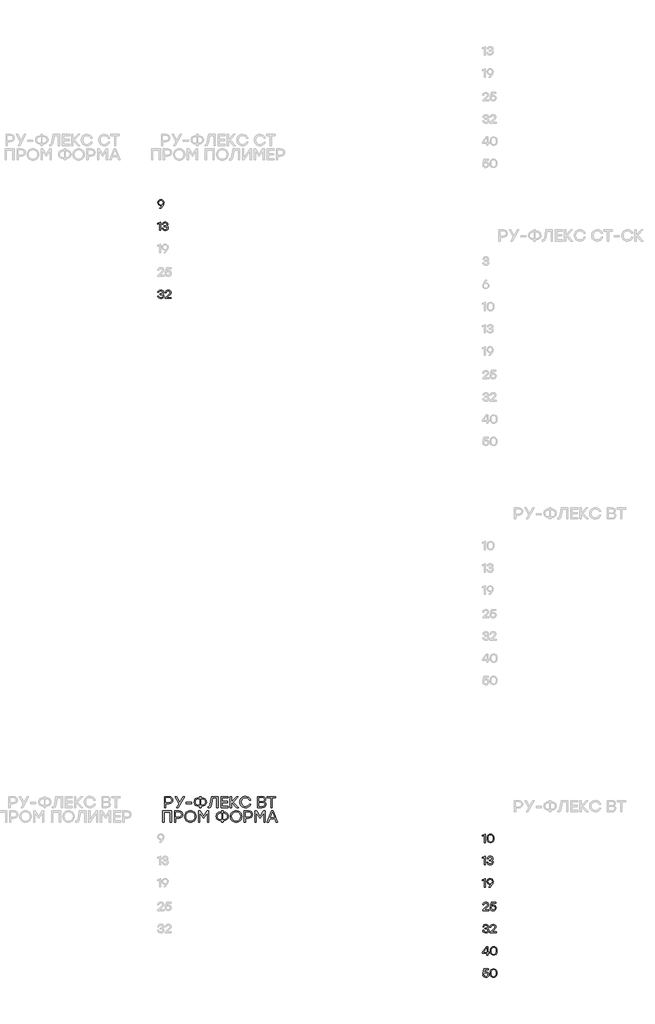
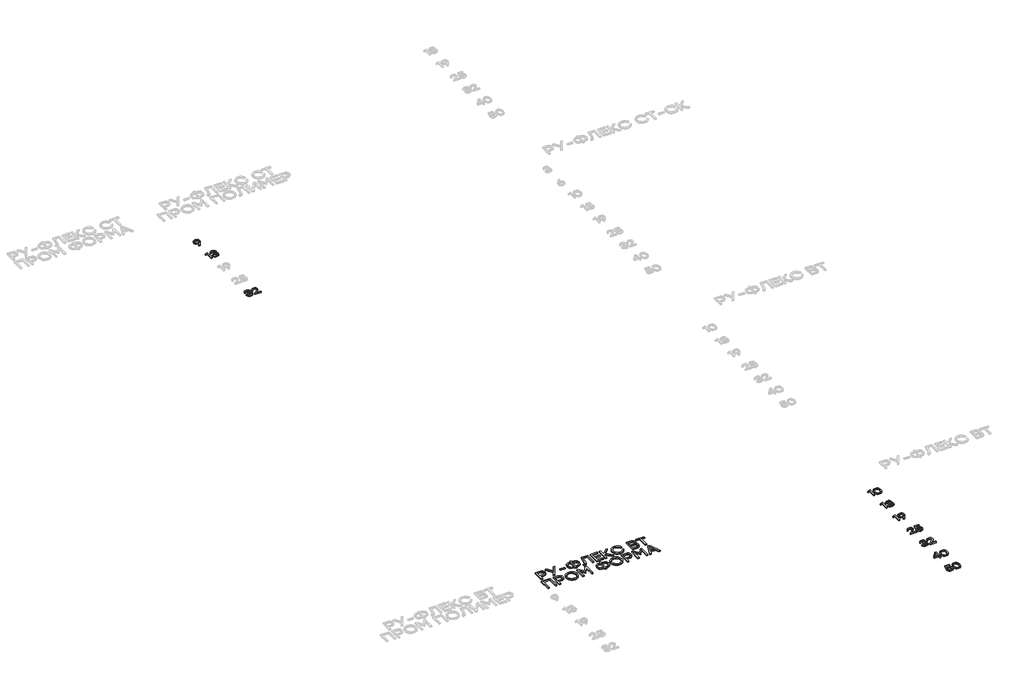
# One storey, part 17 of 41: 11 proxies.
"""IFC4 building model written with IfcOpenShell, lengths in millimetres."""

from ifc_helpers import new_model, si_unit, origin, origin_with_axes, place, context, project, spatial, polyline, outline, extrude, element, save

model = new_model("IFC4")

# Units and contexts
model_context = context("Model", 3, world=origin())
ifc_project = project(units=[si_unit("LENGTHUNIT", "METRE", prefix="MILLI")], contexts=[model_context])

# Site, building, storey
site = spatial("IfcSite", under=ifc_project)
building = spatial("IfcBuilding", under=site)
storey = spatial("IfcBuildingStorey", under=building, Elevation=0.0)

# Proxies
placement = place(None, origin())
element("IfcBuildingElementProxy", 1, Name="Generic Models", at=placement, inside=storey, context=model_context, shape_type="SweptSolid", body=[
    extrude(outline(polyline([(15636.0477337, -32149.8318641), (15657.9179343, -32153.477738), (15675.9254248, -32164.4153597), (15687.9825264, -32181.5655908), (15692.0015602, -32203.849293), (15689.3743122, -32221.6903743), (15681.4925683, -32239.6323096), (15639.7188211, -32299.216882), (15637.3386655, -32302.2021618), (15616.5627313, -32302.2021618), (15659.2038234, -32245.1994532), (15645.2254522, -32251.1599275), (15631.1260561, -32253.1467523), (15611.4645592, -32249.7983978), (15594.9194524, -32239.7533345), (15583.6792686, -32223.9192488), (15579.9325406, -32203.203827), (15583.9515745, -32181.6563594), (15596.0086761, -32164.6170678), (15614.0565082, -32153.528165), (15636.0477337, -32149.8318641)]), holes=[polyline([(15635.8460256, -32239.1885518), (15651.2313108, -32236.727713), (15663.5002059, -32229.3451966), (15671.5332309, -32217.8377496), (15674.2109059, -32203.0021189), (15671.4777612, -32188.1614456), (15663.278327, -32176.6388704), (15651.0094319, -32169.2412259), (15636.0679045, -32166.7753444), (15621.1263771, -32169.291653), (15608.857482, -32176.8405785), (15600.6580478, -32188.4640077), (15597.924903, -32203.203827), (15600.6277916, -32218.0142442), (15608.7364571, -32229.4460507), (15620.9196263, -32236.7529265), (15635.8460256, -32239.1885518)])]), origin_with_axes(), (0.0, 0.0, 1.0), 20.0),
])
element("IfcBuildingElementProxy", 2, Name="Generic Models", at=placement, inside=storey, context=model_context, shape_type="SweptSolid", body=[
    extrude(outline(polyline([(15621.9281668, -32552.2120197), (15630.077174, -32552.2120197), (15630.077174, -32702.2021618), (15612.2865197, -32702.2021618), (15612.2865197, -32572.9879539), (15577.7944348, -32586.9058127), (15577.7944348, -32569.3572081), (15621.9281668, -32552.2120197)])), origin_with_axes(), (0.0, 0.0, 1.0), 20.0),
    extrude(outline(polyline([(15743.1143924, -32623.1325872), (15754.32432, -32628.5988767), (15762.7002488, -32636.8487379), (15767.9194458, -32647.5090109), (15769.6591782, -32660.2065357), (15765.9628773, -32678.4560759), (15754.8739746, -32692.5403439), (15737.7842559, -32701.5415678), (15716.0855072, -32704.5419758), (15694.6994061, -32701.6525073), (15676.7725988, -32692.9841017), (15663.8279816, -32678.7989797), (15657.3884505, -32659.3593617), (15675.3808129, -32659.3593617), (15680.2419781, -32671.7316322), (15688.6128642, -32680.5689683), (15700.4934712, -32685.8713699), (15715.8837991, -32687.6388371), (15730.7950703, -32685.7074821), (15742.1260227, -32679.9134169), (15749.2816175, -32670.8012536), (15751.6668158, -32658.9156039), (15749.6598202, -32648.134306), (15743.6388335, -32639.7533345), (15733.2710372, -32634.3677283), (15718.2236131, -32632.5725262), (15697.4476789, -32632.5725262), (15697.4476789, -32616.9199777), (15713.1002273, -32616.9199777), (15727.8198758, -32615.4727221), (15738.3339105, -32611.1309553), (15744.6423313, -32603.8946773), (15746.7451382, -32593.763888), (15744.4658367, -32582.6245583), (15737.6279321, -32574.0570068), (15727.038257, -32568.59576), (15713.5036435, -32566.7753444), (15700.6649231, -32568.3032833), (15690.3878954, -32572.8870998), (15682.7229877, -32581.0008081), (15677.7206268, -32593.1184221), (15659.7282645, -32593.1184221), (15666.3997598, -32573.9158111), (15678.2652387, -32560.4417101), (15694.4170147, -32552.4843256), (15713.9474014, -32549.8318641), (15733.9618874, -32552.7515889), (15750.2750299, -32561.5107631), (15761.1218829, -32574.8789673), (15764.7375006, -32591.6257822), (15759.1703571, -32610.9090764), (15752.3727941, -32618.1403117), (15743.1143924, -32623.1325872)])), origin_with_axes(), (0.0, 0.0, 1.0), 20.0),
])
element("IfcBuildingElementProxy", 3, Name="Generic Models", at=placement, inside=storey, context=model_context, shape_type="SweptSolid", body=[
    extrude(outline(polyline([(15665.6584826, -33847.1325872), (15676.8684101, -33852.5988767), (15685.2443389, -33860.8487379), (15690.463536, -33871.5090109), (15692.2032683, -33884.2065357), (15688.5069674, -33902.4560759), (15677.4180647, -33916.5403439), (15660.328346, -33925.5415678), (15638.6295973, -33928.5419758), (15617.2434962, -33925.6525073), (15599.3166889, -33916.9841017), (15586.3720717, -33902.7989797), (15579.9325406, -33883.3593617), (15597.924903, -33883.3593617), (15602.7860682, -33895.7316322), (15611.1569543, -33904.5689683), (15623.0375613, -33909.8713699), (15638.4278892, -33911.6388371), (15653.3391604, -33909.7074821), (15664.6701129, -33903.9134169), (15671.8257077, -33894.8012536), (15674.2109059, -33882.9156039), (15672.2039104, -33872.134306), (15666.1829236, -33863.7533345), (15655.8151273, -33858.3677283), (15640.7677032, -33856.5725262), (15619.991769, -33856.5725262), (15619.991769, -33840.9199777), (15635.6443175, -33840.9199777), (15650.363966, -33839.4727221), (15660.8780006, -33835.1309553), (15667.1864214, -33827.8946773), (15669.2892283, -33817.763888), (15667.0099268, -33806.6245583), (15660.1720223, -33798.0570068), (15649.5823471, -33792.59576), (15636.0477337, -33790.7753444), (15623.2090132, -33792.3032833), (15612.9319856, -33796.8870998), (15605.2670778, -33805.0008081), (15600.264717, -33817.1184221), (15582.2723546, -33817.1184221), (15588.9438499, -33797.9158111), (15600.8093288, -33784.4417101), (15616.9611048, -33776.4843256), (15636.4914915, -33773.8318641), (15656.5059776, -33776.7515889), (15672.8191201, -33785.5107631), (15683.6659731, -33798.8789673), (15687.2815907, -33815.6257822), (15681.7144472, -33834.9090764), (15674.9168843, -33842.1403117), (15665.6584826, -33847.1325872)])), origin_with_axes(), (0.0, 0.0, 1.0), 20.0),
    extrude(outline(polyline([(15824.1203648, -33909.0569735), (15824.1203648, -33926.2021618), (15711.6075874, -33926.2021618), (15711.6075874, -33913.3331851), (15755.0958535, -33875.4120626), (15793.7834668, -33839.4273378), (15800.1372719, -33829.4629577), (15802.2552069, -33818.8531118), (15799.9506919, -33807.577629), (15793.0371468, -33798.6016187), (15782.2659344, -33792.731913), (15768.3884172, -33790.7753444), (15754.4554303, -33792.8378097), (15743.5178086, -33799.0252057), (15735.6411074, -33808.9643722), (15730.8908816, -33822.2821494), (15712.8985192, -33822.2821494), (15719.0960006, -33802.2827915), (15731.3144687, -33786.9025489), (15748.4142727, -33777.0995353), (15769.255762, -33773.8318641), (15789.7997318, -33776.9936386), (15806.0069776, -33786.4789619), (15816.5361403, -33800.7346818), (15820.0458612, -33818.2076458), (15817.4992965, -33832.8466111), (15809.8596023, -33845.9425094), (15769.6591782, -33884.2065357), (15740.935945, -33909.0569735), (15824.1203648, -33909.0569735)])), origin_with_axes(), (0.0, 0.0, 1.0), 20.0),
])
element("IfcBuildingElementProxy", 4, Name="Generic Models", at=placement, inside=storey, context=model_context, shape_type="SweptSolid", body=[
    extrude(outline(polyline([(15781.8311404, -42885.1160762), (15810.8502122, -42889.5805488), (15832.71537, -42902.9739666), (15846.4315208, -42923.4271678), (15851.003571, -42949.0709907), (15846.3911791, -42975.1047826), (15832.5540036, -42995.9748472), (15810.6485041, -43009.690998), (15781.8311404, -43014.2630482), (15725.2452951, -43014.2630482), (15725.2452951, -43085.1029324), (15701.5244227, -43085.1029324), (15701.5244227, -42885.1160762), (15781.8311404, -42885.1160762)]), holes=[polyline([(15780.9705191, -42991.6717411), (15800.8387669, -42988.6730141), (15815.2608959, -42979.6768329), (15824.0351982, -42966.1086014), (15826.9599656, -42949.3937237), (15824.0351982, -42932.7460819), (15815.2608959, -42919.3795586), (15800.8387669, -42910.5850855), (15780.9705191, -42907.6535945), (15725.2452951, -42907.6535945), (15725.2452951, -42991.6717411), (15780.9705191, -42991.6717411)])]), origin_with_axes(), (0.0, 0.0, 1.0), 20.0),
    extrude(outline(polyline([(16060.02695, -42885.1160762), (15946.9090483, -43085.1029324), (15920.068424, -43085.1029324), (15961.4858202, -43012.5418057), (15888.6019606, -42885.1160762), (15915.4963737, -42885.1160762), (15974.6102938, -42987.0996909), (16033.4552698, -42885.1160762), (16060.02695, -42885.1160762)])), origin_with_axes(), (0.0, 0.0, 1.0), 20.0),
    extrude(outline(polyline([(16186.5920583, -42987.691368), (16186.5920583, -43010.2288862), (16093.9676994, -43010.2288862), (16093.9676994, -42987.691368), (16186.5920583, -42987.691368)])), origin_with_axes(), (0.0, 0.0, 1.0), 20.0),
    extrude(outline(polyline([(16377.1658698, -42907.6535945), (16408.8138705, -42912.763533), (16434.5854419, -42928.0933485), (16444.5750355, -42939.1956984), (16451.7104595, -42952.0629942), (16457.4187987, -42983.0924233), (16451.7440775, -43014.1218525), (16444.650676, -43026.9891483), (16434.719914, -43038.0914982), (16408.9819606, -43053.4213137), (16377.1658698, -43058.5312522), (16357.4253706, -43058.5312522), (16357.4253706, -43085.1029324), (16333.7044982, -43085.1029324), (16333.7044982, -43058.5312522), (16313.7488436, -43058.5312522), (16281.8924112, -43053.4213137), (16256.1410107, -43038.0914982), (16246.2102486, -43026.9891483), (16239.1168471, -43014.1218525), (16233.442126, -42983.0924233), (16239.1571888, -42952.0629942), (16246.3010172, -42939.1956984), (16256.3023771, -42928.0933485), (16282.0941193, -42912.763533), (16313.7488436, -42907.6535945), (16333.7044982, -42907.6535945), (16333.7044982, -42885.1160762), (16357.4253706, -42885.1160762), (16357.4253706, -42907.6535945), (16377.1658698, -42907.6535945)]), holes=[polyline([(16377.1658698, -43035.9399452), (16399.7706241, -43032.4772895), (16417.8840113, -43022.0893224), (16429.7847892, -43005.4147863), (16433.7517151, -42983.0924233), (16429.7847892, -42960.7700604), (16417.8840113, -42944.0955243), (16399.7706241, -42933.7075572), (16377.1658698, -42930.2449015), (16357.4253706, -42930.2449015), (16357.4253706, -43035.9399452), (16377.1658698, -43035.9399452)]), polyline([(16313.7488436, -43035.9399452), (16333.7044982, -43035.9399452), (16333.7044982, -42930.2449015), (16313.7488436, -42930.2449015), (16291.3457975, -42933.7075572), (16273.2996462, -42944.0955243), (16261.3988684, -42960.7700604), (16257.4319425, -42983.0924233), (16261.3585268, -43005.4147863), (16273.1382798, -43022.0893224), (16291.1440894, -43032.4772895), (16313.7488436, -43035.9399452)])]), origin_with_axes(), (0.0, 0.0, 1.0), 20.0),
    extrude(outline(polyline([(16547.0847721, -42885.1160762), (16667.3565877, -42885.1160762), (16667.3565877, -43085.1029324), (16643.6357153, -43085.1029324), (16643.6357153, -42907.6535945), (16567.0404267, -42907.6535945), (16547.9453933, -43023.9450369), (16540.8452682, -43053.9659256), (16531.0557019, -43073.6728068), (16517.850545, -43084.585215), (16500.5036485, -43088.2226843), (16484.7973112, -43087.3620631), (16484.7973112, -43065.6851661), (16495.9315983, -43066.2230544), (16506.6288511, -43063.9370293), (16514.1929048, -43057.0789539), (16524.4934651, -43022.5465274), (16547.0847721, -42885.1160762)])), origin_with_axes(), (0.0, 0.0, 1.0), 20.0),
    extrude(outline(polyline([(16843.9453044, -42907.6535945), (16740.7783356, -42907.6535945), (16740.7783356, -42971.1244095), (16837.0603347, -42971.1244095), (16837.0603347, -42993.6619277), (16740.7783356, -42993.6619277), (16740.7783356, -43062.5116254), (16843.9453044, -43062.5116254), (16843.9453044, -43085.1029324), (16717.0574632, -43085.1029324), (16717.0574632, -42885.1160762), (16843.9453044, -42885.1160762), (16843.9453044, -42907.6535945)])), origin_with_axes(), (0.0, 0.0, 1.0), 20.0),
    extrude(outline(polyline([(17030.5925317, -43085.1029324), (17000.0404783, -43085.1029324), (16906.01761, -42987.9603121), (16906.01761, -43085.1029324), (16882.2967376, -43085.1029324), (16882.2967376, -42885.1160762), (16906.01761, -42885.1160762), (16906.01761, -42978.8162117), (16996.9207264, -42885.1160762), (17027.2038356, -42885.1160762), (16932.5892902, -42983.1193178), (17030.5925317, -43085.1029324)])), origin_with_axes(), (0.0, 0.0, 1.0), 20.0),
    extrude(outline(polyline([(17159.631926, -43088.2226843), (17138.4340857, -43086.3837788), (17119.108769, -43080.8670623), (17101.6559757, -43071.6725349), (17086.075706, -43058.8001964), (17073.262199, -43043.1594142), (17064.1096941, -43025.6595558), (17058.6181911, -43006.300621), (17056.7876901, -42985.0826099), (17058.6181911, -42963.8645988), (17064.1096941, -42944.5056641), (17073.262199, -42927.0058056), (17086.075706, -42911.3650235), (17101.6559757, -42898.492685), (17119.108769, -42889.2981575), (17138.4340857, -42883.781441), (17159.631926, -42881.9425355), (17191.1118366, -42886.4809677), (17218.6382684, -42900.0962644), (17240.3824015, -42921.3495744), (17254.5154156, -42948.8020466), (17229.0733007, -42948.8020466), (17217.6095571, -42930.5945289), (17201.5065272, -42916.5287508), (17181.7593044, -42907.5325696), (17159.3629818, -42904.5338425), (17128.4613011, -42910.2825234), (17103.2074472, -42927.5285658), (17086.3849918, -42953.421162), (17080.7775066, -42985.1095043), (17086.3849918, -43016.7978466), (17103.2074472, -43042.6904429), (17128.4613011, -43059.9364853), (17159.3629818, -43065.6851661), (17181.7593044, -43062.6864391), (17201.5065272, -43053.6902579), (17217.6095571, -43039.6110326), (17229.0733007, -43021.3631733), (17254.5154156, -43021.3631733), (17240.3824015, -43048.8492635), (17218.6382684, -43070.0958499), (17191.1118366, -43083.6909757), (17159.631926, -43088.2226843)])), origin_with_axes(), (0.0, 0.0, 1.0), 20.0),
    extrude(outline(polyline([(17492.9074937, -42978.8162117), (17508.0389629, -42985.6440308), (17518.8471552, -42996.3917106), (17525.3320706, -43011.0592512), (17527.493709, -43029.6466525), (17523.3116278, -43052.8498075), (17510.765384, -43070.3916884), (17490.2180524, -43081.4251214), (17462.0327074, -43085.1029324), (17378.0145607, -43085.1029324), (17378.0145607, -42885.1160762), (17460.6341979, -42885.1160762), (17486.9302104, -42888.4375363), (17505.8974953, -42898.4019163), (17517.3746861, -42914.4309866), (17521.2004163, -42935.9465171), (17519.4321087, -42950.3047719), (17514.1271857, -42962.235806), (17505.2856474, -42971.7396192), (17492.9074937, -42978.8162117)]), holes=[polyline([(17461.7637633, -43062.5116254), (17480.1427329, -43060.3533487), (17493.2705683, -43053.8785188), (17501.1472695, -43043.0871355), (17503.7728366, -43027.9791989), (17501.2716562, -43012.656107), (17493.7681149, -43001.5419908), (17480.6167469, -42994.7847695), (17461.1720862, -42992.5323624), (17401.7354331, -42992.5323624), (17401.7354331, -43062.5116254), (17461.7637633, -43062.5116254)]), polyline([(17497.2105998, -42939.389002), (17494.9245747, -42925.6056152), (17488.0664993, -42915.6681296), (17475.9236718, -42909.6572282), (17457.7833901, -42907.6535945), (17401.7354331, -42907.6535945), (17401.7354331, -42970.8016765), (17457.191713, -42970.8016765), (17475.7757525, -42968.8047664), (17488.0664993, -42962.8140358), (17494.9245747, -42952.963957), (17497.2105998, -42939.389002)])]), origin_with_axes(), (0.0, 0.0, 1.0), 20.0),
    extrude(outline(polyline([(17704.8354693, -42885.1160762), (17704.8354693, -42907.6535945), (17640.2350889, -42907.6535945), (17640.2350889, -43085.1029324), (17616.2452724, -43085.1029324), (17616.2452724, -42907.6535945), (17551.967625, -42907.6535945), (17551.967625, -42885.1160762), (17704.8354693, -42885.1160762)])), origin_with_axes(), (0.0, 0.0, 1.0), 20.0),
    extrude(outline(polyline([(15830.563817, -43143.6383193), (15830.563817, -43343.6251754), (15806.8429446, -43343.6251754), (15806.8429446, -43166.1758375), (15690.8204463, -43166.1758375), (15690.8204463, -43343.6251754), (15667.0995739, -43343.6251754), (15667.0995739, -43143.6383193), (15690.8204463, -43143.6383193), (15830.563817, -43143.6383193)])), origin_with_axes(), (0.0, 0.0, 1.0), 20.0),
    extrude(outline(polyline([(15960.8403543, -43143.6383193), (15989.8594261, -43148.1027918), (16011.724584, -43161.4962096), (16025.4407347, -43181.9494108), (16030.0127849, -43207.5932337), (16025.400393, -43233.6270257), (16011.5632175, -43254.4970903), (15989.657718, -43268.213241), (15960.8403543, -43272.7852912), (15904.254509, -43272.7852912), (15904.254509, -43343.6251754), (15880.5336366, -43343.6251754), (15880.5336366, -43143.6383193), (15960.8403543, -43143.6383193)]), holes=[polyline([(15959.9797331, -43250.1939842), (15979.8479808, -43247.1952571), (15994.2701098, -43238.1990759), (16003.0444121, -43224.6308445), (16005.9691795, -43207.9159667), (16003.0444121, -43191.2683249), (15994.2701098, -43177.9018016), (15979.8479808, -43169.1073285), (15959.9797331, -43166.1758375), (15904.254509, -43166.1758375), (15904.254509, -43250.1939842), (15959.9797331, -43250.1939842)])]), origin_with_axes(), (0.0, 0.0, 1.0), 20.0),
    extrude(outline(polyline([(16094.6131653, -43170.048633), (16110.4069094, -43157.1056966), (16127.9353432, -43147.8607421), (16147.1984666, -43142.3137694), (16168.1962797, -43140.4647785), (16189.1756028, -43142.3137694), (16208.3832565, -43147.8607421), (16225.8192407, -43157.1056966), (16241.4835555, -43170.048633), (16254.4147255, -43185.741523), (16263.6512755, -43203.2363388), (16269.1932055, -43222.5330802), (16271.0405155, -43243.6317473), (16269.1831201, -43264.7287336), (16263.6109339, -43284.0204323), (16254.3239569, -43301.5068435), (16241.322189, -43317.1879673), (16225.5889573, -43330.1191373), (16208.1075888, -43339.3556873), (16188.8780834, -43344.8976174), (16167.9004411, -43346.7449274), (16146.9227989, -43344.8976174), (16127.6932935, -43339.3556873), (16110.2119249, -43330.1191373), (16094.4786932, -43317.1879673), (16081.4769254, -43301.5068435), (16072.1899483, -43284.0204323), (16066.6177621, -43264.7287336), (16064.7603667, -43243.6317473), (16066.6261666, -43222.5330802), (16072.2235663, -43203.2363388), (16081.5525659, -43185.741523), (16094.6131653, -43170.048633)]), holes=[polyline([(16167.9273355, -43163.0560856), (16137.1197853, -43168.8383844), (16111.6104344, -43186.1852809), (16094.465246, -43212.1047715), (16088.7501832, -43243.6048529), (16094.465246, -43275.1116579), (16111.6104344, -43301.0513194), (16137.1197853, -43318.4183867), (16167.9273355, -43324.2074091), (16198.8962523, -43318.4587283), (16224.3518143, -43301.2126859), (16241.3759778, -43275.3200896), (16247.050699, -43243.6317473), (16241.3759778, -43211.9434051), (16224.3518143, -43186.0508088), (16198.8962523, -43168.8047664), (16167.9273355, -43163.0560856)])]), origin_with_axes(), (0.0, 0.0, 1.0), 20.0),
    extrude(outline(polyline([(16468.8758187, -43143.6383193), (16498.0293625, -43143.6383193), (16498.0293625, -43343.6251754), (16474.3084901, -43343.6251754), (16474.3084901, -43174.1903726), (16406.5883578, -43276.4967202), (16404.3292271, -43276.4967202), (16336.6090948, -43174.1903726), (16336.6090948, -43343.6251754), (16312.8882224, -43343.6251754), (16312.8882224, -43143.6383193), (16342.0417663, -43143.6383193), (16405.4587925, -43239.0596971), (16468.8758187, -43143.6383193)])), origin_with_axes(), (0.0, 0.0, 1.0), 20.0),
    extrude(outline(polyline([(16773.0516314, -43166.1758375), (16804.699632, -43171.285776), (16830.4712034, -43186.6155915), (16840.460797, -43197.7179414), (16847.596221, -43210.5852372), (16853.3045602, -43241.6146664), (16847.629839, -43272.6440955), (16840.5364376, -43285.5113913), (16830.6056755, -43296.6137412), (16804.8677221, -43311.9435567), (16773.0516314, -43317.0534952), (16753.3111321, -43317.0534952), (16753.3111321, -43343.6251754), (16729.5902597, -43343.6251754), (16729.5902597, -43317.0534952), (16709.6346052, -43317.0534952), (16677.7781728, -43311.9435567), (16652.0267722, -43296.6137412), (16642.0960101, -43285.5113913), (16635.0026087, -43272.6440955), (16629.3278875, -43241.6146664), (16635.0429503, -43210.5852372), (16642.1867788, -43197.7179414), (16652.1881387, -43186.6155915), (16677.9798809, -43171.285776), (16709.6346052, -43166.1758375), (16729.5902597, -43166.1758375), (16729.5902597, -43143.6383193), (16753.3111321, -43143.6383193), (16753.3111321, -43166.1758375), (16773.0516314, -43166.1758375)]), holes=[polyline([(16709.6346052, -43294.4621882), (16729.5902597, -43294.4621882), (16729.5902597, -43188.7671445), (16709.6346052, -43188.7671445), (16687.231559, -43192.2298002), (16669.1854078, -43202.6177673), (16657.28463, -43219.2923034), (16653.317704, -43241.6146664), (16657.2442884, -43263.9370293), (16669.0240413, -43280.6115654), (16687.0298509, -43290.9995325), (16709.6346052, -43294.4621882)]), polyline([(16773.0516314, -43294.4621882), (16795.6563856, -43290.9995325), (16813.7697729, -43280.6115654), (16825.6705507, -43263.9370293), (16829.6374766, -43241.6146664), (16825.6705507, -43219.2923034), (16813.7697729, -43202.6177673), (16795.6563856, -43192.2298002), (16773.0516314, -43188.7671445), (16753.3111321, -43188.7671445), (16753.3111321, -43294.4621882), (16773.0516314, -43294.4621882)])]), origin_with_axes(), (0.0, 0.0, 1.0), 20.0),
    extrude(outline(polyline([(16917.3670523, -43170.048633), (16933.1607965, -43157.1056966), (16950.6892302, -43147.8607421), (16969.9523536, -43142.3137694), (16990.9501667, -43140.4647785), (17011.9294899, -43142.3137694), (17031.1371436, -43147.8607421), (17048.5731278, -43157.1056966), (17064.2374425, -43170.048633), (17077.1686126, -43185.741523), (17086.4051626, -43203.2363388), (17091.9470926, -43222.5330802), (17093.7944026, -43243.6317473), (17091.9370072, -43264.7287336), (17086.364821, -43284.0204323), (17077.0778439, -43301.5068435), (17064.0760761, -43317.1879673), (17048.3428444, -43330.1191373), (17030.8614758, -43339.3556873), (17011.6319704, -43344.8976174), (16990.6543282, -43346.7449274), (16969.6766859, -43344.8976174), (16950.4471805, -43339.3556873), (16932.965812, -43330.1191373), (16917.2325803, -43317.1879673), (16904.2308124, -43301.5068435), (16894.9438354, -43284.0204323), (16889.3716491, -43264.7287336), (16887.5142537, -43243.6317473), (16889.3800536, -43222.5330802), (16894.9774534, -43203.2363388), (16904.3064529, -43185.741523), (16917.3670523, -43170.048633)]), holes=[polyline([(16990.6812226, -43163.0560856), (16959.8736723, -43168.8383844), (16934.3643214, -43186.1852809), (16917.2191331, -43212.1047715), (16911.5040703, -43243.6048529), (16917.2191331, -43275.1116579), (16934.3643214, -43301.0513194), (16959.8736723, -43318.4183867), (16990.6812226, -43324.2074091), (17021.6501393, -43318.4587283), (17047.1057014, -43301.2126859), (17064.1298649, -43275.3200896), (17069.8045861, -43243.6317473), (17064.1298649, -43211.9434051), (17047.1057014, -43186.0508088), (17021.6501393, -43168.8047664), (16990.6812226, -43163.0560856)])]), origin_with_axes(), (0.0, 0.0, 1.0), 20.0),
    extrude(outline(polyline([(17217.3473366, -43143.6383193), (17246.3664084, -43148.1027918), (17268.2315663, -43161.4962096), (17281.947717, -43181.9494108), (17286.5197672, -43207.5932337), (17281.9073754, -43233.6270257), (17268.0701998, -43254.4970903), (17246.1647003, -43268.213241), (17217.3473366, -43272.7852912), (17160.7614913, -43272.7852912), (17160.7614913, -43343.6251754), (17137.0406189, -43343.6251754), (17137.0406189, -43143.6383193), (17217.3473366, -43143.6383193)]), holes=[polyline([(17216.4867154, -43250.1939842), (17236.3549631, -43247.1952571), (17250.7770921, -43238.1990759), (17259.5513944, -43224.6308445), (17262.4761619, -43207.9159667), (17259.5513944, -43191.2683249), (17250.7770921, -43177.9018016), (17236.3549631, -43169.1073285), (17216.4867154, -43166.1758375), (17160.7614913, -43166.1758375), (17160.7614913, -43250.1939842), (17216.4867154, -43250.1939842)])]), origin_with_axes(), (0.0, 0.0, 1.0), 20.0),
    extrude(outline(polyline([(17484.4088592, -43143.6383193), (17513.562403, -43143.6383193), (17513.562403, -43343.6251754), (17489.8415306, -43343.6251754), (17489.8415306, -43174.1903726), (17422.1213983, -43276.4967202), (17419.8622676, -43276.4967202), (17352.1421353, -43174.1903726), (17352.1421353, -43343.6251754), (17328.4212629, -43343.6251754), (17328.4212629, -43143.6383193), (17357.5748067, -43143.6383193), (17420.991833, -43239.0596971), (17484.4088592, -43143.6383193)])), origin_with_axes(), (0.0, 0.0, 1.0), 20.0),
    extrude(outline(polyline([(17713.925781, -43343.6251754), (17690.2049086, -43283.5968453), (17597.3653944, -43283.5968453), (17573.644522, -43343.6251754), (17548.5251401, -43343.6251754), (17628.5091248, -43143.6383193), (17659.0611781, -43143.6383193), (17739.0989517, -43343.6251754), (17713.925781, -43343.6251754)]), holes=[polyline([(17606.5094948, -43261.0593271), (17681.3835411, -43261.0593271), (17643.946518, -43166.1758375), (17606.5094948, -43261.0593271)])]), origin_with_axes(), (0.0, 0.0, 1.0), 20.0),
])
element("IfcBuildingElementProxy", 5, Name="Generic Models", at=placement, inside=storey, context=model_context, shape_type="SweptSolid", body=[
    extrude(outline(polyline([(21471.7561063, -43562.6551887), (21479.9051135, -43562.6551887), (21479.9051135, -43712.6453308), (21462.1144592, -43712.6453308), (21462.1144592, -43583.4311228), (21427.6223744, -43597.3489816), (21427.6223744, -43579.800377), (21471.7561063, -43562.6551887)])), origin_with_axes(), (0.0, 0.0, 1.0), 20.0),
    extrude(outline(polyline([(21570.6334163, -43560.2750331), (21596.1394053, -43565.3379064), (21615.2109061, -43580.5265262), (21627.1015985, -43604.9281634), (21631.0651626, -43637.6300889), (21627.1015985, -43670.3320144), (21615.2109061, -43694.7336516), (21596.1394053, -43709.9222715), (21570.6334163, -43714.9851447), (21545.2787083, -43709.9525277), (21526.1769513, -43694.8546765), (21514.1954903, -43670.4883382), (21510.2016699, -43637.6502597), (21514.1954903, -43604.8071386), (21526.1769513, -43580.4256721), (21545.2787083, -43565.3126929), (21570.6334163, -43560.2750331)]), holes=[polyline([(21539.4493442, -43683.3976565), (21552.8730182, -43694.4109187), (21570.6334163, -43698.0820061), (21588.3938144, -43694.4109187), (21601.8174883, -43683.3976565), (21610.2589722, -43664.6186325), (21613.0728002, -43637.6502597), (21610.2589722, -43610.6818869), (21601.8174883, -43591.902863), (21588.3938144, -43580.8896008), (21570.6334163, -43577.2185134), (21552.8730182, -43580.8896008), (21539.4493442, -43591.902863), (21531.0078603, -43610.6818869), (21528.1940323, -43637.6502597), (21531.0078603, -43664.6186325), (21539.4493442, -43683.3976565)])]), origin_with_axes(), (0.0, 0.0, 1.0), 20.0),
])
element("IfcBuildingElementProxy", 6, Name="Generic Models", at=placement, inside=storey, context=model_context, shape_type="SweptSolid", body=[
    extrude(outline(polyline([(21471.7561063, -43962.6551887), (21479.9051135, -43962.6551887), (21479.9051135, -44112.6453308), (21462.1144592, -44112.6453308), (21462.1144592, -43983.4311228), (21427.6223744, -43997.3489816), (21427.6223744, -43979.800377), (21471.7561063, -43962.6551887)])), origin_with_axes(), (0.0, 0.0, 1.0), 20.0),
    extrude(outline(polyline([(21592.942332, -44033.5757561), (21604.1522596, -44039.0420456), (21612.5281884, -44047.2919068), (21617.7473854, -44057.9521799), (21619.4871178, -44070.6497047), (21615.7908169, -44088.8992449), (21604.7019141, -44102.9835129), (21587.6121955, -44111.9847368), (21565.9134468, -44114.9851447), (21544.5273456, -44112.0956762), (21526.6005383, -44103.4272707), (21513.6559211, -44089.2421486), (21507.2163901, -44069.8025306), (21525.2087525, -44069.8025306), (21530.0699176, -44082.1748011), (21538.4408037, -44091.0121372), (21550.3214107, -44096.3145389), (21565.7117387, -44098.0820061), (21580.6230099, -44096.150651), (21591.9539623, -44090.3565859), (21599.1095571, -44081.2444225), (21601.4947554, -44069.3587728), (21599.4877598, -44058.577475), (21593.466773, -44050.1965035), (21583.0989768, -44044.8108972), (21568.0515526, -44043.0156951), (21547.2756185, -44043.0156951), (21547.2756185, -44027.3631467), (21562.9281669, -44027.3631467), (21577.6478154, -44025.9158911), (21588.16185, -44021.5741243), (21594.4702708, -44014.3378462), (21596.5730778, -44004.207057), (21594.2937762, -43993.0677272), (21587.4558717, -43984.5001757), (21576.8661965, -43979.038929), (21563.3315831, -43977.2185134), (21550.4928626, -43978.7464522), (21540.215835, -43983.3302688), (21532.5509273, -43991.443977), (21527.5485664, -44003.5615911), (21509.556204, -44003.5615911), (21516.2276994, -43984.3589801), (21528.0931783, -43970.8848791), (21544.2449543, -43962.9274946), (21563.7753409, -43960.2750331), (21583.789827, -43963.1947578), (21600.1029695, -43971.953932), (21610.9498225, -43985.3221362), (21614.5654402, -44002.0689511), (21608.9982966, -44021.3522454), (21602.2007337, -44028.5834807), (21592.942332, -44033.5757561)])), origin_with_axes(), (0.0, 0.0, 1.0), 20.0),
])
element("IfcBuildingElementProxy", 7, Name="Generic Models", at=placement, inside=storey, context=model_context, shape_type="SweptSolid", body=[
    extrude(outline(polyline([(21471.7561063, -44362.6551887), (21479.9051135, -44362.6551887), (21479.9051135, -44512.6453308), (21462.1144592, -44512.6453308), (21462.1144592, -44383.4311228), (21427.6223744, -44397.3489816), (21427.6223744, -44379.800377), (21471.7561063, -44362.6551887)])), origin_with_axes(), (0.0, 0.0, 1.0), 20.0),
    extrude(outline(polyline([(21563.3315831, -44360.2750331), (21585.2017837, -44363.920907), (21603.2092742, -44374.8585286), (21615.2663758, -44392.0087597), (21619.2854097, -44414.2924619), (21616.6581617, -44432.1335432), (21608.7764177, -44450.0754786), (21567.0026705, -44509.6600509), (21564.6225149, -44512.6453308), (21543.8465808, -44512.6453308), (21586.4876728, -44455.6426221), (21572.5093016, -44461.6030964), (21558.4099055, -44463.5899212), (21538.7484086, -44460.2415668), (21522.2033018, -44450.1965035), (21510.963118, -44434.3624177), (21507.2163901, -44413.646996), (21511.2354239, -44392.0995284), (21523.2925255, -44375.0602367), (21541.3403577, -44363.971334), (21563.3315831, -44360.2750331)]), holes=[polyline([(21563.129875, -44449.6317208), (21578.5151602, -44447.170882), (21590.7840553, -44439.7883656), (21598.8170804, -44428.2809185), (21601.4947554, -44413.4452879), (21598.7616106, -44398.6046145), (21590.5621764, -44387.0820394), (21578.2932813, -44379.6843949), (21563.3517539, -44377.2185134), (21548.4102265, -44379.7348219), (21536.1413314, -44387.2837475), (21527.9418972, -44398.9071767), (21525.2087525, -44413.646996), (21527.911641, -44428.4574131), (21536.0203066, -44439.8892196), (21548.2034757, -44447.1960955), (21563.129875, -44449.6317208)])]), origin_with_axes(), (0.0, 0.0, 1.0), 20.0),
])
element("IfcBuildingElementProxy", 8, Name="Generic Models", at=placement, inside=storey, context=model_context, shape_type="SweptSolid", body=[
    extrude(outline(polyline([(21542.2732576, -44919.5001424), (21542.2732576, -44936.6453308), (21429.7604802, -44936.6453308), (21429.7604802, -44923.7763541), (21473.2487463, -44885.8552316), (21511.9363596, -44849.8705068), (21518.2901647, -44839.9061267), (21520.4080997, -44829.2962807), (21518.1035847, -44818.020798), (21511.1900396, -44809.0447876), (21500.4188271, -44803.1750819), (21486.54131, -44801.2185134), (21472.608323, -44803.2809787), (21461.6707014, -44809.4683746), (21453.7940002, -44819.4075412), (21449.0437744, -44832.7253184), (21431.051412, -44832.7253184), (21437.2488934, -44812.7259604), (21449.4673614, -44797.3457179), (21466.5671655, -44787.5427043), (21487.4086548, -44784.2750331), (21507.9526246, -44787.4368075), (21524.1598704, -44796.9221309), (21534.6890331, -44811.1778508), (21538.198754, -44828.6508148), (21535.6521893, -44843.28978), (21528.012495, -44856.3856784), (21487.812071, -44894.6497047), (21459.0888377, -44919.5001424), (21542.2732576, -44919.5001424)])), origin_with_axes(), (0.0, 0.0, 1.0), 20.0),
    extrude(outline(polyline([(21623.3599133, -44837.646996), (21643.2483318, -44841.0205639), (21659.667371, -44851.1412678), (21670.6806332, -44866.8392006), (21674.3517206, -44886.9444553), (21670.4436262, -44907.6447489), (21658.7193429, -44924.320966), (21641.1556103, -44935.3191), (21619.7291675, -44938.9851447), (21598.771696, -44935.9343097), (21580.9205293, -44926.7818048), (21567.9002715, -44912.0520709), (21561.435527, -44892.2695491), (21579.4278894, -44892.2695491), (21584.5764886, -44904.9721166), (21593.5676271, -44914.3565859), (21605.5642163, -44920.150651), (21619.7291675, -44922.0820061), (21634.2168517, -44919.5606548), (21645.9713911, -44911.9966011), (21653.7623664, -44900.6908622), (21656.3593582, -44886.9444553), (21653.7875799, -44873.001383), (21646.0722452, -44862.0738467), (21634.3933462, -44855.0090206), (21619.9308756, -44852.6540785), (21598.9330625, -44857.5253291), (21584.349567, -44872.1390809), (21567.2043786, -44872.1390809), (21585.4387907, -44786.6551887), (21667.2919371, -44786.6551887), (21667.2919371, -44803.5583273), (21598.9128917, -44803.5583273), (21589.0695365, -44850.273923), (21604.500206, -44840.8037277), (21623.3599133, -44837.646996)])), origin_with_axes(), (0.0, 0.0, 1.0), 20.0),
])
element("IfcBuildingElementProxy", 9, Name="Generic Models", at=placement, inside=storey, context=model_context, shape_type="SweptSolid", body=[
    extrude(outline(polyline([(21515.4864221, -45257.5757561), (21526.6963497, -45263.0420456), (21535.0722785, -45271.2919068), (21540.2914755, -45281.9521799), (21542.0312079, -45294.6497047), (21538.334907, -45312.8992449), (21527.2460043, -45326.9835129), (21510.1562856, -45335.9847368), (21488.4575369, -45338.9851447), (21467.0714357, -45336.0956762), (21449.1446285, -45327.4272707), (21436.2000112, -45313.2421486), (21429.7604802, -45293.8025306), (21447.7528426, -45293.8025306), (21452.6140078, -45306.1748011), (21460.9848939, -45315.0121372), (21472.8655009, -45320.3145389), (21488.2558288, -45322.0820061), (21503.1671, -45320.150651), (21514.4980524, -45314.3565859), (21521.6536472, -45305.2444225), (21524.0388455, -45293.3587728), (21522.0318499, -45282.577475), (21516.0108632, -45274.1965035), (21505.6430669, -45268.8108972), (21490.5956427, -45267.0156951), (21469.8197086, -45267.0156951), (21469.8197086, -45251.3631467), (21485.472257, -45251.3631467), (21500.1919055, -45249.9158911), (21510.7059402, -45245.5741243), (21517.014361, -45238.3378462), (21519.1171679, -45228.207057), (21516.8378664, -45217.0677272), (21509.9999618, -45208.5001757), (21499.4102867, -45203.038929), (21485.8756732, -45201.2185134), (21473.0369528, -45202.7464522), (21462.7599251, -45207.3302688), (21455.0950174, -45215.443977), (21450.0926565, -45227.5615911), (21432.1002941, -45227.5615911), (21438.7717895, -45208.3589801), (21450.6372684, -45194.8848791), (21466.7890444, -45186.9274946), (21486.3194311, -45184.2750331), (21506.3339171, -45187.1947578), (21522.6470596, -45195.953932), (21533.4939126, -45209.3221362), (21537.1095303, -45226.0689511), (21531.5423868, -45245.3522454), (21524.7448238, -45252.5834807), (21515.4864221, -45257.5757561)])), origin_with_axes(), (0.0, 0.0, 1.0), 20.0),
    extrude(outline(polyline([(21673.9483044, -45319.5001424), (21673.9483044, -45336.6453308), (21561.435527, -45336.6453308), (21561.435527, -45323.7763541), (21604.923793, -45285.8552316), (21643.6114064, -45249.8705068), (21649.9652115, -45239.9061267), (21652.0831465, -45229.2962807), (21649.7786315, -45218.020798), (21642.8650864, -45209.0447876), (21632.0938739, -45203.1750819), (21618.2163567, -45201.2185134), (21604.2833698, -45203.2809787), (21593.3457482, -45209.4683746), (21585.4690469, -45219.4075412), (21580.7188212, -45232.7253184), (21562.7264588, -45232.7253184), (21568.9239401, -45212.7259604), (21581.1424082, -45197.3457179), (21598.2422123, -45187.5427043), (21619.0837016, -45184.2750331), (21639.6276714, -45187.4368075), (21655.8349171, -45196.9221309), (21666.3640799, -45211.1778508), (21669.8738008, -45228.6508148), (21667.327236, -45243.28978), (21659.6875418, -45256.3856784), (21619.4871178, -45294.6497047), (21590.7638845, -45319.5001424), (21673.9483044, -45319.5001424)])), origin_with_axes(), (0.0, 0.0, 1.0), 20.0),
])
element("IfcBuildingElementProxy", 10, Name="Generic Models", at=placement, inside=storey, context=model_context, shape_type="SweptSolid", body=[
    extrude(outline(polyline([(21547.8404011, -45683.9188338), (21547.8404011, -45700.660606), (21525.7735351, -45700.660606), (21525.7735351, -45736.6453308), (21507.9828808, -45736.6453308), (21507.9828808, -45700.660606), (21427.6223744, -45700.660606), (21427.6223744, -45683.9188338), (21499.1884077, -45586.6551887), (21525.7735351, -45586.6551887), (21525.7735351, -45683.9188338), (21547.8404011, -45683.9188338)]), holes=[polyline([(21447.3090848, -45683.7171257), (21507.9828808, -45683.7171257), (21507.9828808, -45603.3566192), (21506.2481912, -45603.3566192), (21447.3090848, -45683.7171257)])]), origin_with_axes(), (0.0, 0.0, 1.0), 20.0),
    extrude(outline(polyline([(21627.4344168, -45584.2750331), (21652.9404059, -45589.3379064), (21672.0119066, -45604.5265262), (21683.9025991, -45628.9281634), (21687.8661632, -45661.6300889), (21683.9025991, -45694.3320144), (21672.0119066, -45718.7336516), (21652.9404059, -45733.9222715), (21627.4344168, -45738.9851447), (21602.0797088, -45733.9525277), (21582.9779519, -45718.8546765), (21570.9964909, -45694.4883382), (21567.0026705, -45661.6502597), (21570.9964909, -45628.8071386), (21582.9779519, -45604.4256721), (21602.0797088, -45589.3126929), (21627.4344168, -45584.2750331)]), holes=[polyline([(21596.2503448, -45707.3976565), (21609.6740188, -45718.4109187), (21627.4344168, -45722.0820061), (21645.1948149, -45718.4109187), (21658.6184889, -45707.3976565), (21667.0599728, -45688.6186325), (21669.8738008, -45661.6502597), (21667.0599728, -45634.6818869), (21658.6184889, -45615.902863), (21645.1948149, -45604.8896008), (21627.4344168, -45601.2185134), (21609.6740188, -45604.8896008), (21596.2503448, -45615.902863), (21587.8088609, -45634.6818869), (21584.9950329, -45661.6502597), (21587.8088609, -45688.6186325), (21596.2503448, -45707.3976565)])]), origin_with_axes(), (0.0, 0.0, 1.0), 20.0),
])
element("IfcBuildingElementProxy", 11, Name="Generic Models", at=placement, inside=storey, context=model_context, shape_type="SweptSolid", body=[
    extrude(outline(polyline([(21491.6848665, -46037.646996), (21511.573285, -46041.0205639), (21527.9923242, -46051.1412678), (21539.0055864, -46066.8392006), (21542.6766738, -46086.9444553), (21538.7685794, -46107.6447489), (21527.0442962, -46124.320966), (21509.4805635, -46135.3191), (21488.0541207, -46138.9851447), (21467.0966493, -46135.9343097), (21449.2454825, -46126.7818048), (21436.2252248, -46112.0520709), (21429.7604802, -46092.2695491), (21447.7528426, -46092.2695491), (21452.9014418, -46104.9721166), (21461.8925803, -46114.3565859), (21473.8891695, -46120.150651), (21488.0541207, -46122.0820061), (21502.5418049, -46119.5606548), (21514.2963443, -46111.9966011), (21522.0873196, -46100.6908622), (21524.6843114, -46086.9444553), (21522.1125332, -46073.001383), (21514.3971984, -46062.0738467), (21502.7182995, -46055.0090206), (21488.2558288, -46052.6540785), (21467.2580157, -46057.5253291), (21452.6745202, -46072.1390809), (21435.5293318, -46072.1390809), (21453.7637439, -45986.6551887), (21535.6168904, -45986.6551887), (21535.6168904, -46003.5583273), (21467.2378449, -46003.5583273), (21457.3944897, -46050.273923), (21472.8251593, -46040.8037277), (21491.6848665, -46037.646996)])), origin_with_axes(), (0.0, 0.0, 1.0), 20.0),
    extrude(outline(polyline([(21624.8525532, -45984.2750331), (21650.3585423, -45989.3379064), (21669.430043, -46004.5265262), (21681.3207354, -46028.9281634), (21685.2842995, -46061.6300889), (21681.3207354, -46094.3320144), (21669.430043, -46118.7336516), (21650.3585423, -46133.9222715), (21624.8525532, -46138.9851447), (21599.4978452, -46133.9525277), (21580.3960882, -46118.8546765), (21568.4146272, -46094.4883382), (21564.4208068, -46061.6502597), (21568.4146272, -46028.8071386), (21580.3960882, -46004.4256721), (21599.4978452, -45989.3126929), (21624.8525532, -45984.2750331)]), holes=[polyline([(21593.6684811, -46107.3976565), (21607.0921551, -46118.4109187), (21624.8525532, -46122.0820061), (21642.6129513, -46118.4109187), (21656.0366252, -46107.3976565), (21664.4781092, -46088.6186325), (21667.2919371, -46061.6502597), (21664.4781092, -46034.6818869), (21656.0366252, -46015.902863), (21642.6129513, -46004.8896008), (21624.8525532, -46001.2185134), (21607.0921551, -46004.8896008), (21593.6684811, -46015.902863), (21585.2269972, -46034.6818869), (21582.4131692, -46061.6502597), (21585.2269972, -46088.6186325), (21593.6684811, -46107.3976565)])]), origin_with_axes(), (0.0, 0.0, 1.0), 20.0),
])

save(model, "model.ifc")
